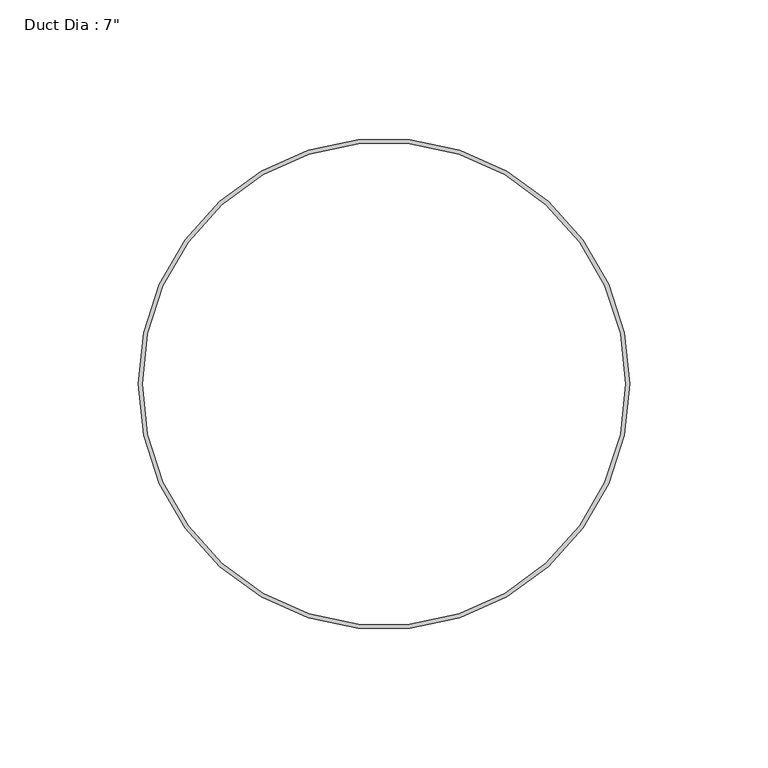
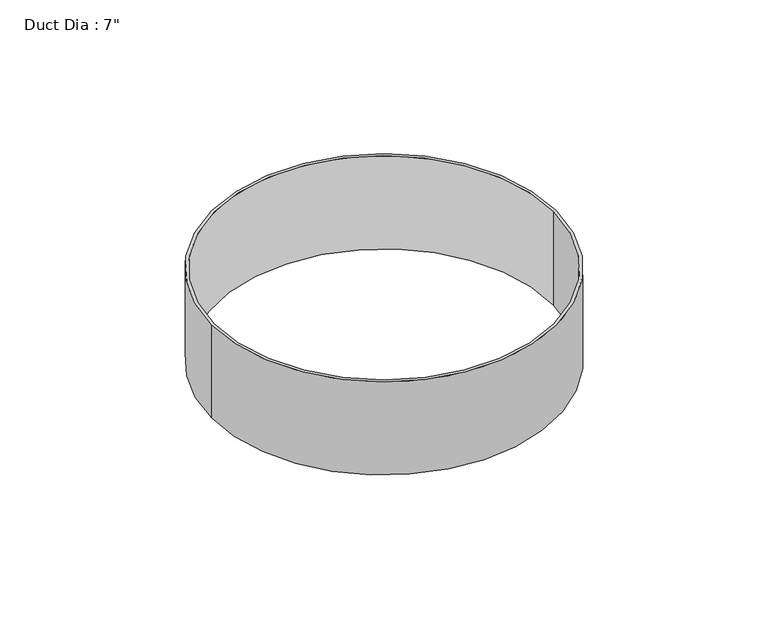
"""IFC4 building model written with IfcOpenShell, lengths in millimetres: proxy geometry."""

from ifc_helpers import new_model, si_unit, point, origin, origin_with_axes, origin_2d, place, context, project, spatial, circle_curve, trimmed, segment, composite_curve, outline, extrude, source, transform, mapped, element, save


def proxy_a3130c37(model_context):
    return source(origin(), model_context, "Body", "SweptSolid", [
        extrude(outline(composite_curve([segment(trimmed(circle_curve(origin_2d(), 88.9), [point((-88.9, 0.0))], [point((88.9, 0.0))], False, "CARTESIAN"), True, "CONTINUOUS"), segment(trimmed(circle_curve(origin_2d(), 88.9), [point((88.9, 0.0))], [point((-88.9, 0.0))], False, "CARTESIAN"), True, "CONTINUOUS")], self_intersect=False), holes=[composite_curve([segment(trimmed(circle_curve(origin_2d(), 87.3125), [point((-87.3125, 0.0))], [point((87.3125, 0.0))], True, "CARTESIAN"), True, "CONTINUOUS"), segment(trimmed(circle_curve(origin_2d(), 87.3125), [point((87.3125, 0.0))], [point((-87.3125, 0.0))], True, "CARTESIAN"), True, "CONTINUOUS")], self_intersect=False)]), origin_with_axes(), (0.0, 0.0, 1.0), 50.8),
    ])


if __name__ == "__main__":
    model = new_model("IFC4")
    model_context = context("Model", 3, world=origin())
    ifc_project = project(units=[si_unit("LENGTHUNIT", "METRE", prefix="MILLI")], contexts=[model_context])
    site = spatial("IfcSite", under=ifc_project)
    building = spatial("IfcBuilding", under=site)
    placement = place(None, origin())
    proxy_shape = proxy_a3130c37(model_context)
    element("IfcBuildingElementProxy", 1, Name="Duct Dia : 7\"", ObjectType="Duct Dia : 7\"", at=placement, inside=building, context=model_context, shape_type="MappedRepresentation", body=[
        mapped(proxy_shape, transform((0.0, 0.0, 0.0), x_axis=(1.0, 0.0, 0.0), y_axis=(0.0, 1.0, 0.0), z_axis=(0.0, 0.0, 1.0))),
    ])
    save(model, "model.ifc")
